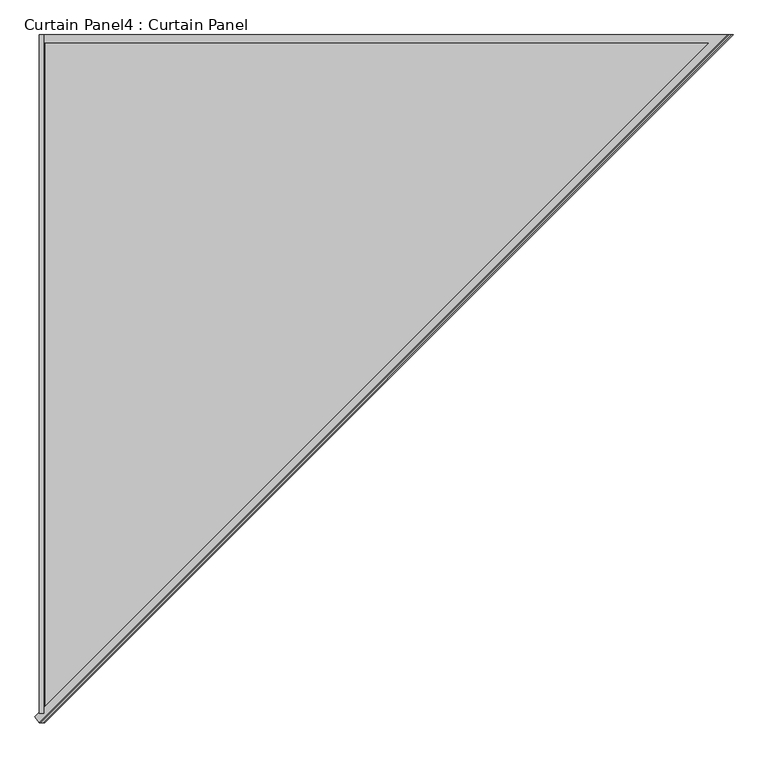
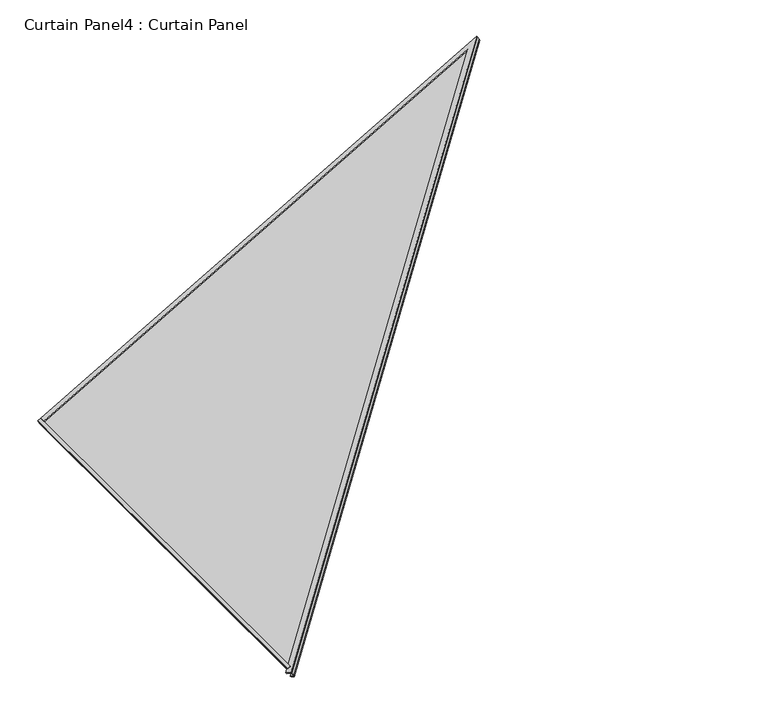
"""IFC4 building model written with IfcOpenShell, lengths in millimetres: plate geometry, Curtain Panel4 : Curtain Panel."""

from ifc_helpers import new_model, si_unit, frame, origin, place, context, project, spatial, polyline, outline, extrude, faceted_brep, source, transform, mapped, element, save


def curtain_panel4_curtain_panel_3811f38a(model_context):
    return source(origin(), model_context, "Body", "SolidModel", [
        faceted_brep([(1175.436022, -12875.4210436, 919.9999483), (1165.8116434, -12875.4210436, 914.4433107), (1163.6753117, -12875.4210436, 918.1435457), (1173.2996903, -12875.4210436, 923.7001833), (1175.436022, -14350.6430282, 919.9999483), (1173.2998423, -14350.6430282, 923.69992), (1163.6753117, -14350.6430282, 918.1435457), (1165.8116434, -14350.6430282, 914.4433107)], [[[0, 1, 2, 3]], [[4, 5, 6, 7]], [[1, 0, 4, 7]], [[2, 1, 7, 6]], [[3, 2, 6, 5]], [[0, 3, 5, 4]]]),
        faceted_brep([(1184.5391943, -12875.4210436, 904.2327913), (1174.9148157, -12875.4210436, 898.6761537), (1172.583323, -12875.4210436, 902.7144174), (1182.2077017, -12875.4210436, 908.271055), (1184.5391943, -14350.6430282, 904.2327913), (1182.2077017, -14350.6430282, 908.271055), (1172.583323, -14350.6430282, 902.7144174), (1174.9148157, -14350.6430282, 898.6761537)], [[[0, 1, 2, 3]], [[4, 5, 6, 7]], [[1, 0, 4, 7]], [[2, 1, 7, 6]], [[3, 2, 6, 5]], [[0, 3, 5, 4]]]),
        extrude(outline(polyline([(0.0, -17.4752), (0.0, 0.0), (2238.2957383, 0.0), (976.2990284, 1092.9212103), (987.7392322, 1106.1312198), (2285.16817, -17.4752), (0.0, -17.4752)])), frame((1155.9015586, -14358.2047648, 908.7790046), z_axis=(-0.5000000000000002, 0.0, 0.8660254037844385), x_axis=(0.6546536707079772, 0.6546536707079783, 0.3779644730092254)), (0.0, 0.0, 1.0), 4.0243125),
        extrude(outline(polyline([(0.0, -11.1252), (0.0, 0.0), (2255.3278719, 0.0), (980.4560792, 1104.071359), (987.7392323, 1112.4812197), (2285.1681701, -11.1252), (0.0, -11.1252)])), frame((1168.7290139, -14363.0049136, 894.8753018), z_axis=(-0.5000000000000004, 0.0, 0.8660254037844384), x_axis=(0.654653670707977, 0.6546536707079783, 0.37796447300922553)), (0.0, 0.0, 1.0), 4.8617188),
        extrude(outline(polyline([(66.1241689, 0.0), (1562.1178996, 0.0), (1562.1178996, -1727.4247663), (66.1241689, 0.0)])), frame((1172.6055501, -14437.5389432, 902.7272502), z_axis=(-0.49999999999999944, 0.0, 0.866025403784439), x_axis=(0.0, 1.0, 0.0)), (0.0, 0.0, 1.0), 13.5929688),
    ])


if __name__ == "__main__":
    model = new_model("IFC4")
    model_context = context("Model", 3, world=origin())
    ifc_project = project(units=[si_unit("LENGTHUNIT", "METRE", prefix="MILLI")], contexts=[model_context])
    site = spatial("IfcSite", under=ifc_project)
    building = spatial("IfcBuilding", under=site)
    placement = place(None, origin())
    curtain_panel4_curtain_panel_shape = curtain_panel4_curtain_panel_3811f38a(model_context)
    element("IfcPlate", 1, ObjectType="Curtain Panel4 : Curtain Panel", at=placement, inside=building, context=model_context, shape_type="MappedRepresentation", body=[
        mapped(curtain_panel4_curtain_panel_shape, transform((0.0, 0.0, 0.0), x_axis=(1.0, 0.0, 0.0), y_axis=(0.0, 1.0, 0.0), z_axis=(0.0, 0.0, 1.0))),
    ])
    save(model, "model.ifc")
